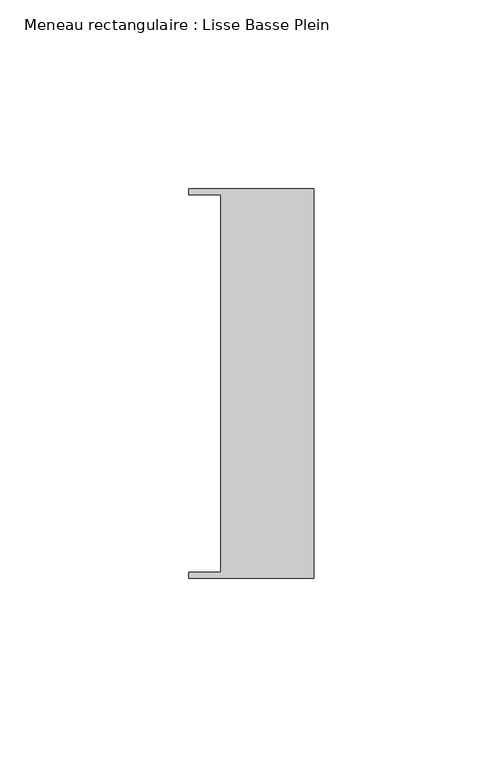
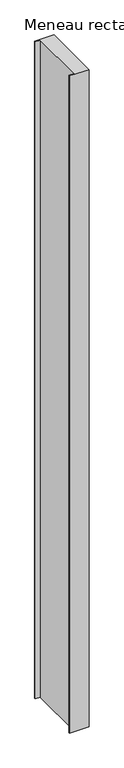
"""IFC4 building model written with IfcOpenShell, lengths in millimetres: member geometry, Meneau rectangulaire : Lisse Basse Plein."""

from ifc_helpers import new_model, si_unit, frame, origin, place, context, project, spatial, polyline, outline, extrude, source, transform, mapped, element, save


def meneau_rectangulaire_lisse_basse_plein_4b02e3e5(model_context):
    return source(origin(), model_context, "Body", "SweptSolid", [
        extrude(outline(polyline([(0.0, -51.5026203), (-33.0710396, -51.5026203), (-33.0710396, -49.9505686), (-24.7130865, -49.9505686), (-24.7130865, 49.9505686), (-33.0710396, 49.9505686), (-33.0710396, 51.5026203), (0.0, 51.5026203), (0.0, -51.5026203)])), frame((0.0, 0.0, -1184.8081902), z_axis=(0.0, 0.0, 1.0), x_axis=(1.0, 0.0, 0.0)), (0.0, 0.0, 1.0), 1184.8081902),
    ])


if __name__ == "__main__":
    model = new_model("IFC4")
    model_context = context("Model", 3, world=origin())
    ifc_project = project(units=[si_unit("LENGTHUNIT", "METRE", prefix="MILLI")], contexts=[model_context])
    site = spatial("IfcSite", under=ifc_project)
    building = spatial("IfcBuilding", under=site)
    placement = place(None, origin())
    meneau_rectangulaire_lisse_basse_plein_shape = meneau_rectangulaire_lisse_basse_plein_4b02e3e5(model_context)
    element("IfcMember", 1, ObjectType="Meneau rectangulaire : Lisse Basse Plein", at=placement, inside=building, context=model_context, shape_type="MappedRepresentation", body=[
        mapped(meneau_rectangulaire_lisse_basse_plein_shape, transform((0.0, 0.0, 0.0), x_axis=(1.0, 0.0, 0.0), y_axis=(0.0, 1.0, 0.0), z_axis=(0.0, 0.0, 1.0))),
    ])
    save(model, "model.ifc")
